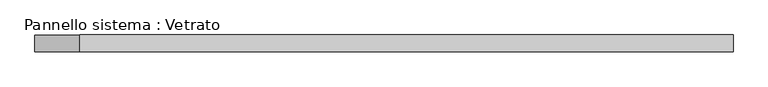
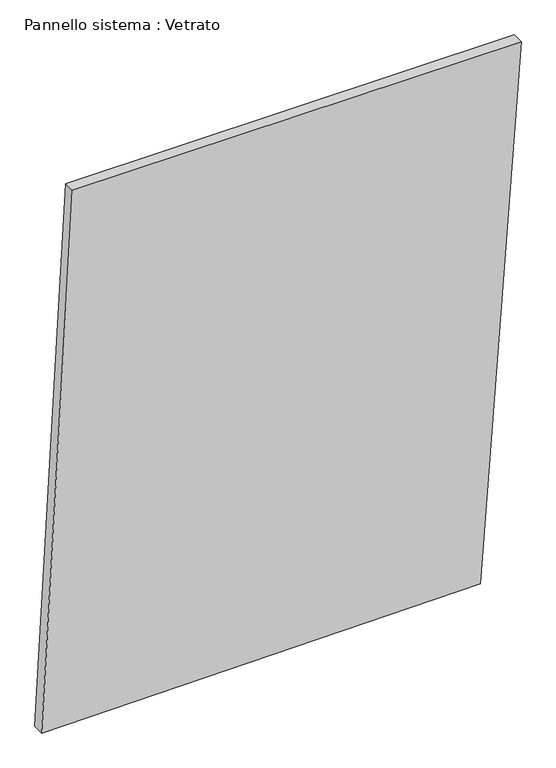
"""IFC4 building model written with IfcOpenShell, lengths in millimetres: plate geometry, Pannello sistema : Vetrato."""

from ifc_helpers import new_model, si_unit, frame, origin, place, context, project, spatial, polyline, outline, extrude, source, transform, mapped, element, save


def pannello_sistema_vetrato_87717d49(model_context):
    return source(origin(), model_context, "Body", "SweptSolid", [
        extrude(outline(polyline([(0.0, -621.3707972), (9.9395478, 516.0735162), (1458.0485909, 621.3707972), (1458.0485909, -541.3881057), (0.0, -621.3707972)])), frame((0.0, -15.0, 0.0), z_axis=(0.0, 1.0, 0.0), x_axis=(0.0, 0.0, 1.0)), (0.0, 0.0, 1.0), 30.0),
    ])


if __name__ == "__main__":
    model = new_model("IFC4")
    model_context = context("Model", 3, world=origin())
    ifc_project = project(units=[si_unit("LENGTHUNIT", "METRE", prefix="MILLI")], contexts=[model_context])
    site = spatial("IfcSite", under=ifc_project)
    building = spatial("IfcBuilding", under=site)
    placement = place(None, origin())
    pannello_sistema_vetrato_shape = pannello_sistema_vetrato_87717d49(model_context)
    element("IfcPlate", 1, ObjectType="Pannello sistema : Vetrato", at=placement, inside=building, context=model_context, shape_type="MappedRepresentation", body=[
        mapped(pannello_sistema_vetrato_shape, transform((0.0, 0.0, 0.0), x_axis=(1.0, 0.0, 0.0), y_axis=(0.0, 1.0, 0.0), z_axis=(0.0, 0.0, 1.0))),
    ])
    save(model, "model.ifc")
